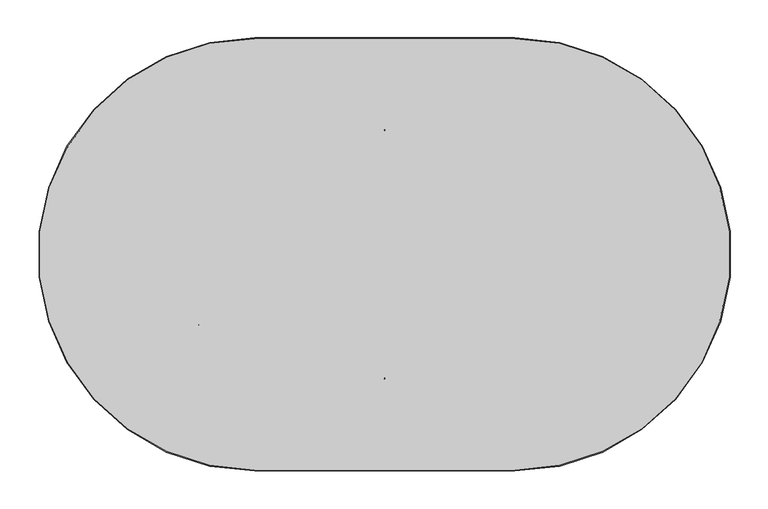
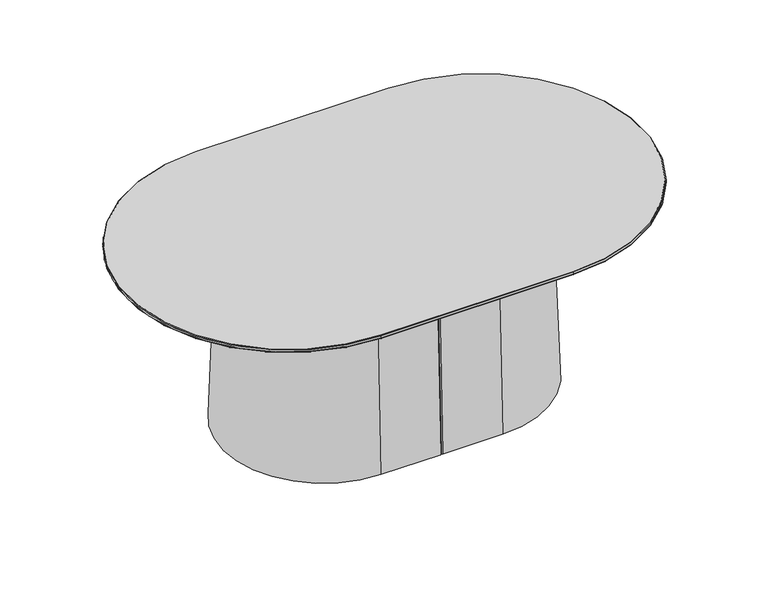
"""IFC4 building model written with IfcOpenShell, lengths in millimetres: furniture geometry."""

import ifcopenshell
import ifcopenshell.guid

model = None  # the IFC model being written
_history = None  # IfcOwnerHistory: only IFC2X3 demands one
_inside = {}  # id of a spatial element -> (the spatial element, [elements in it])
_under = {}  # id of a project, library or spatial element -> (it, [spatial elements below it])
_declared = {}  # id of a project -> (the project, [libraries it declares])
_typed = {}  # id of a type object -> (the type object, [elements of that type])
_made_of = {}  # id of a material, layer set ... -> (it, [elements and type objects made of it])


def new_model(schema):
    """Start an empty IFC model of exactly this schema.

    Asked for "IFC4X3", IfcOpenShell would pick the latest addendum, in which some entities
    have other attributes; the version numbers below select the first issue.
    IFC2X3 requires an IfcOwnerHistory on every rooted entity: one is made here for all.
    """
    global model, _history
    if schema == "IFC4X3":
        model = ifcopenshell.file(schema_version=(4, 3, 0, 0))
    else:
        model = ifcopenshell.file(schema=schema)
    _inside.clear()
    _under.clear()
    _declared.clear()
    _typed.clear()
    _made_of.clear()
    _history = None
    if model.schema == "IFC2X3":
        org = make("IfcOrganization", Name="unknown")
        user = make(
            "IfcPersonAndOrganization",
            ThePerson=make("IfcPerson", FamilyName="unknown"),
            TheOrganization=org,
        )
        app = make(
            "IfcApplication",
            ApplicationDeveloper=org,
            Version="unknown",
            ApplicationFullName="unknown",
            ApplicationIdentifier="unknown",
        )
        _history = make(
            "IfcOwnerHistory",
            OwningUser=user,
            OwningApplication=app,
            ChangeAction="ADDED",
            CreationDate=0,
        )
    return model


def make(cls, **values):
    """One entity of the class cls with the attributes given. An attribute that is None is left unset."""
    return model.create_entity(
        cls, **{name: value for name, value in values.items() if value is not None}
    )


def rooted(cls, **values):
    """An entity with a GlobalId (a new one), such as an element, a storey or a relation."""
    return make(cls, GlobalId=ifcopenshell.guid.new(), OwnerHistory=_history, **values)


def si_unit(unit_type, name, prefix=None):
    """IfcSIUnit, for example si_unit("LENGTHUNIT", "METRE", prefix="MILLI")."""
    return make("IfcSIUnit", UnitType=unit_type, Prefix=prefix, Name=name)


def assignment(units):
    """IfcUnitAssignment: the units of a project."""
    return None if units is None else make("IfcUnitAssignment", Units=units)


def point(xyz):
    """IfcCartesianPoint."""
    return None if xyz is None else make("IfcCartesianPoint", Coordinates=xyz)


def direction(xyz):
    """IfcDirection."""
    return None if xyz is None else make("IfcDirection", DirectionRatios=xyz)


def frame(location, z_axis=None, x_axis=None):
    """IfcAxis2Placement3D, a coordinate frame: its origin and axes. An axis left out is left unset."""
    return make(
        "IfcAxis2Placement3D",
        Location=point(location),
        Axis=direction(z_axis),
        RefDirection=direction(x_axis),
    )


def origin():
    """The frame at (0, 0, 0) with its axes left unset."""
    return frame((0.0, 0.0, 0.0))


def place(relative_to, where):
    """IfcLocalPlacement: puts the frame where relative to a parent placement (None: the world)."""
    return make(
        "IfcLocalPlacement", PlacementRelTo=relative_to, RelativePlacement=where
    )


def context(
    kind, dimensions, precision=None, world=None, true_north=None, identifier=None
):
    """IfcGeometricRepresentationContext, for example the 3D "Model" context."""
    return make(
        "IfcGeometricRepresentationContext",
        ContextIdentifier=identifier,
        ContextType=kind,
        CoordinateSpaceDimension=dimensions,
        Precision=precision,
        WorldCoordinateSystem=world,
        TrueNorth=true_north,
    )


def project(units=None, contexts=None):
    """IfcProject with its units and contexts."""
    return rooted(
        "IfcProject",
        Name="project",
        RepresentationContexts=contexts,
        UnitsInContext=assignment(units),
    )


def spatial(cls, under=None, at=None, **own):
    """A site, building, storey or space (cls), placed at a placement, below another one or the project."""
    s = rooted(cls, ObjectPlacement=at, **own)
    if under is not None:
        _under.setdefault(under.id(), (under, []))[1].append(s)
    return s


def polyline(points):
    """IfcPolyline through the points."""
    return make("IfcPolyline", Points=[point(p) for p in points])


def circle_curve(where, radius):
    """IfcCircle in the frame where."""
    return make("IfcCircle", Position=where, Radius=radius)


def ellipse_curve(where, semi_axis1, semi_axis2):
    """IfcEllipse in the frame where."""
    return make(
        "IfcEllipse", Position=where, SemiAxis1=semi_axis1, SemiAxis2=semi_axis2
    )


def trimmed(basis, trim1, trim2, sense, master):
    """IfcTrimmedCurve: the piece of a basis curve between two trims."""
    return make(
        "IfcTrimmedCurve",
        BasisCurve=basis,
        Trim1=trim1,
        Trim2=trim2,
        SenseAgreement=sense,
        MasterRepresentation=master,
    )


def shape(context_of_items, identifier, shape_type, items):
    """IfcShapeRepresentation: the items that make up one representation, for example the "Body"."""
    return make(
        "IfcShapeRepresentation",
        ContextOfItems=context_of_items,
        RepresentationIdentifier=identifier,
        RepresentationType=shape_type,
        Items=items,
    )


def source(mapping_origin, context_of_items, identifier, shape_type, items):
    """IfcRepresentationMap: a shape defined once, which mapped items show again and again."""
    return make(
        "IfcRepresentationMap",
        MappingOrigin=mapping_origin,
        MappedRepresentation=shape(context_of_items, identifier, shape_type, items),
    )


def transform(
    local_origin,
    x_axis=None,
    y_axis=None,
    z_axis=None,
    scale=None,
    scale2=None,
    scale3=None,
    uniform=True,
):
    """IfcCartesianTransformationOperator3D, or its non-uniform kind. x_axis, y_axis, z_axis: its Axis1, 2, 3."""
    if uniform:
        return make(
            "IfcCartesianTransformationOperator3D",
            Axis1=direction(x_axis),
            Axis2=direction(y_axis),
            LocalOrigin=point(local_origin),
            Scale=scale,
            Axis3=direction(z_axis),
        )
    return make(
        "IfcCartesianTransformationOperator3DnonUniform",
        Axis1=direction(x_axis),
        Axis2=direction(y_axis),
        LocalOrigin=point(local_origin),
        Scale=scale,
        Axis3=direction(z_axis),
        Scale2=scale2,
        Scale3=scale3,
    )


def mapped(mapping_source, mapping_target):
    """IfcMappedItem: shows the shape of a source again, moved by a transform."""
    return make(
        "IfcMappedItem", MappingSource=mapping_source, MappingTarget=mapping_target
    )


def made_of(thing, what):
    """Note that an element or type object is made of a material, layer set ...; save() writes the relation."""
    if what is not None:
        _made_of.setdefault(what.id(), (what, []))[1].append(thing)
    return thing


def element(
    cls,
    number,
    at=None,
    inside=None,
    cuts=None,
    type_object=None,
    material=None,
    context=None,
    identifier="Body",
    shape_type=None,
    held_by="IfcProductDefinitionShape",
    body=None,
    shapes=None,
    **own,
):
    """One element of the class cls, such as IfcWall. Its Tag is "e" and its number.

    at: its placement. inside: the storey or other place that contains it. cuts: it is an
    opening in that element (IfcRelVoidsElement). A single representation is given by context,
    identifier, shape_type and body (its items); several are given by shapes. held_by: the class
    of the entity that holds the representations. save() writes the other relations.
    """
    e = rooted(cls, Tag="e%d" % number, ObjectPlacement=at, **own)
    if body is not None:
        shapes = [shape(context, identifier, shape_type, body)]
    if shapes is not None:
        e.Representation = make(held_by, Representations=shapes)
    if inside is not None:
        _inside.setdefault(inside.id(), (inside, []))[1].append(e)
    if cuts is not None:
        rooted(
            "IfcRelVoidsElement", RelatingBuildingElement=cuts, RelatedOpeningElement=e
        )
    if type_object is not None:
        _typed.setdefault(type_object.id(), (type_object, []))[1].append(e)
    return made_of(e, material)


def aggregate(whole, parts):
    """IfcRelAggregates: a whole, such as a stair, and the parts it consists of."""
    return rooted("IfcRelAggregates", RelatingObject=whole, RelatedObjects=parts)


def save(model, path):
    """Write the relations noted so far, then the file.

    IfcRelAggregates (storeys below a building ...), IfcRelContainedInSpatialStructure (elements
    in a storey), IfcRelDefinesByType, IfcRelAssociatesMaterial and IfcRelDeclares: one each for
    every whole, place, type object, material and project.
    """
    for whole, parts in _under.values():
        aggregate(whole, parts)
    for where, things in _inside.values():
        rooted(
            "IfcRelContainedInSpatialStructure",
            RelatedElements=things,
            RelatingStructure=where,
        )
    for kind, things in _typed.values():
        rooted("IfcRelDefinesByType", RelatedObjects=things, RelatingType=kind)
    for what, things in _made_of.values():
        rooted("IfcRelAssociatesMaterial", RelatedObjects=things, RelatingMaterial=what)
    for by, libraries in _declared.values():
        rooted("IfcRelDeclares", RelatingContext=by, RelatedDefinitions=libraries)
    model.write(path)


def plane_surface(at):
    """IfcPlane: the flat surface through the origin of the frame at, square to its z axis."""
    return make("IfcPlane", Position=at)


def cylinder_surface(at, radius):
    """IfcCylindricalSurface: all points at the distance radius from the z axis of the frame at."""
    return make("IfcCylindricalSurface", Position=at, Radius=radius)


def revolved_surface(curve, axis_point, axis_direction):
    """IfcSurfaceOfRevolution: the curve turned about the line through axis_point along axis_direction."""
    return make(
        "IfcSurfaceOfRevolution",
        SweptCurve=make("IfcArbitraryOpenProfileDef", ProfileType="CURVE", Curve=curve),
        AxisPosition=make("IfcAxis1Placement", Location=point(axis_point), Axis=direction(axis_direction)),
    )


def extruded_surface(curve, direction_of_extrusion, depth):
    """IfcSurfaceOfLinearExtrusion: the curve pushed along a direction by depth."""
    return make(
        "IfcSurfaceOfLinearExtrusion",
        SweptCurve=make("IfcArbitraryOpenProfileDef", ProfileType="CURVE", Curve=curve),
        ExtrudedDirection=direction(direction_of_extrusion),
        Depth=depth,
    )


def spline_surface(u_degree, v_degree, points, u_multiplicities, v_multiplicities, u_knots, v_knots, weights=None):
    """IfcBSplineSurfaceWithKnots; with weights, IfcRationalBSplineSurfaceWithKnots. points: one row for each step in u."""
    own = dict(
        UDegree=u_degree,
        VDegree=v_degree,
        ControlPointsList=[[point(p) for p in row] for row in points],
        SurfaceForm="UNSPECIFIED",
        UClosed=False,
        VClosed=False,
        SelfIntersect=False,
        UMultiplicities=u_multiplicities,
        VMultiplicities=v_multiplicities,
        UKnots=u_knots,
        VKnots=v_knots,
        KnotSpec="UNSPECIFIED",
    )
    if weights is None:
        return make("IfcBSplineSurfaceWithKnots", **own)
    return make("IfcRationalBSplineSurfaceWithKnots", WeightsData=weights, **own)


def advanced_brep(points, edges, surfaces, faces):
    """IfcAdvancedBrep: a solid bounded by faces that lie on surfaces and meet in shared edges.

    An edge is (start, end): straight between two places in points (the first is 0);
    or (start, end, curve); or (start, end, curve, False) where it runs against its curve.
    A face is (place in surfaces, loops), or (place, loops, False) where it looks against
    its surface's normal. A loop lists edges by number (the first is 1), with a minus sign
    where the edge is run from its end to its start. The first loop is the outer one.
    """
    corners = [point(p) for p in points]
    vertices = [make("IfcVertexPoint", VertexGeometry=c) for c in corners]
    made = []
    for start, end, *more in edges:
        made.append(
            make(
                "IfcEdgeCurve",
                EdgeStart=vertices[start],
                EdgeEnd=vertices[end],
                EdgeGeometry=more[0] if more else make("IfcPolyline", Points=[corners[start], corners[end]]),
                SameSense=more[1] if len(more) > 1 else True,
            )
        )
    hull = []
    for where, loops, *sense in faces:
        bounds = []
        for j, loop in enumerate(loops):
            ring = [make("IfcOrientedEdge", EdgeElement=made[abs(k) - 1], Orientation=k > 0) for k in loop]
            bounds.append(
                make(
                    "IfcFaceOuterBound" if j == 0 else "IfcFaceBound",
                    Bound=make("IfcEdgeLoop", EdgeList=ring),
                    Orientation=True,
                )
            )
        hull.append(make("IfcAdvancedFace", Bounds=bounds, FaceSurface=surfaces[where], SameSense=sense[0] if sense else True))
    return make("IfcAdvancedBrep", Outer=make("IfcClosedShell", CfsFaces=hull))


def furniture_e7c1780a(model_context):
    return source(origin(), model_context, "Body", "AdvancedBrep", [
        advanced_brep(
        [(108.8432573, 165.8423738, 331.9999722), (2.5002491, 165.8423738, 331.9999722), (0.0, 163.3421247, 331.9999722), (0.0, 136.6309965, 331.9999722), (2.5, 134.1309965, 331.9999722), (108.8432573, 134.1309965, 331.9999722), (108.8432573, -134.1309965, 331.9999722), (2.5, -134.1309965, 331.9999722), (0.0, -136.6309965, 331.9999722), (0.0, -163.3421247, 331.9999722), (2.5002491, -165.8423738, 331.9999722), (108.8432573, -165.8423738, 331.9999722), (108.8432573, 177.7169926, 0.0), (108.8432573, -177.7169926, 0.0), (2.5, -177.7169926, 0.0), (0.0, -175.2169926, 0.0), (0.0, -148.5056152, 0.0), (2.5, -146.0056152, 0.0), (108.8432573, -146.0056152, 0.0), (108.8432573, 146.0056152, 0.0), (2.5, 146.0056152, 0.0), (0.0, 148.5056152, 0.0), (0.0, 175.2167435, 0.0), (2.5002491, 177.7169926, 0.0)],
        [
            (0, 1),
            (1, 2, circle_curve(frame((2.5002491, 163.3421247, 331.9999722), z_axis=(0.0, 0.0, 1.0), x_axis=(-1.0, 0.0, 0.0)), 2.5002491)),
            (2, 3),
            (3, 4, circle_curve(frame((2.5, 136.6309965, 331.9999722), z_axis=(0.0, 0.0, 1.0), x_axis=(-1.0, 0.0, 0.0)), 2.5)),
            (4, 5),
            (5, 6, circle_curve(frame((108.8432573, 0.0, 331.9999722), z_axis=(0.0, 0.0, -1.0), x_axis=(0.0, 1.0, 0.0)), 134.1309965)),
            (6, 7),
            (7, 8, circle_curve(frame((2.5, -136.6309965, 331.9999722), z_axis=(0.0, 0.0, 1.0), x_axis=(-1.0, 0.0, 0.0)), 2.5)),
            (8, 9),
            (9, 10, circle_curve(frame((2.5002491, -163.3421247, 331.9999722), z_axis=(0.0, 0.0, 1.0), x_axis=(-1.0, 0.0, 0.0)), 2.5002491)),
            (10, 11),
            (11, 0, circle_curve(frame((108.8432573, 0.0, 331.9999722), z_axis=(0.0, 0.0, 1.0), x_axis=(0.0, -1.0, 0.0)), 165.8423738)),
            (12, 13, circle_curve(frame((108.8432573, 0.0, 0.0), z_axis=(0.0, 0.0, -1.0), x_axis=(0.0, -1.0, 0.0)), 177.7169926)),
            (13, 14),
            (14, 15, circle_curve(frame((2.5, -175.2169926, 0.0), z_axis=(0.0, 0.0, -1.0), x_axis=(-1.0, 0.0, 0.0)), 2.5)),
            (15, 16),
            (16, 17, circle_curve(frame((2.5, -148.5056152, 0.0), z_axis=(0.0, 0.0, -1.0), x_axis=(-1.0, 0.0, 0.0)), 2.5)),
            (17, 18),
            (18, 19, circle_curve(frame((108.8432573, 0.0, 0.0), z_axis=(0.0, 0.0, 1.0), x_axis=(0.0, 1.0, 0.0)), 146.0056152)),
            (19, 20),
            (20, 21, circle_curve(frame((2.5, 148.5056152, 0.0), z_axis=(0.0, 0.0, -1.0), x_axis=(-1.0, 0.0, 0.0)), 2.5)),
            (21, 22),
            (22, 23, circle_curve(frame((2.5002491, 175.2167435, 0.0), z_axis=(0.0, 0.0, -1.0), x_axis=(-1.0, 0.0, 0.0)), 2.5002491)),
            (23, 12),
            (12, 0),
            (11, 13),
            (10, 14),
            (9, 15),
            (8, 16),
            (7, 17),
            (6, 18),
            (5, 19),
            (4, 20),
            (3, 21),
            (2, 22),
            (1, 23),
        ],
        [
            plane_surface(frame((37.1144606, 0.0, 331.9999722), z_axis=(0.0, 0.0, 1.0), x_axis=(-1.0, 0.0, 0.0))),
            plane_surface(frame((37.1144398, -2.08e-05, 0.0), z_axis=(0.0, 0.0, -1.0), x_axis=(-1.0, 0.0, 0.0))),
            revolved_surface(polyline([(108.8432573, -165.84237383659962, 331.99997220000023), (108.8432573, -177.7169926, 0.0)]), (108.8432573, 0.0, 4968.7520735), (0.0, 0.0, -1.0)),
            plane_surface(frame((55.6716286, -177.7169926, 0.0), z_axis=(0.0, -0.9993609765161106, 0.0357440710715248), x_axis=(1.0, 0.0, 0.0))),
            spline_surface(2, 1, [[(0.0, -175.2169926, 0.0), (0.0, -163.3421247, 331.9999722)], [(-9.769962616701378e-15, -177.7169926, 0.0), (-1.021405182655144e-14, -165.8423738, 331.9999722)], [(2.5, -177.7169926, 0.0), (2.5002491, -165.8423738, 331.9999722)]], [3, 3], [2, 2], [0.0, 1.0], [0.0, 1.0], weights=[[1.0, 1.0], [0.7071067811865461, 0.7071067811865461], [1.0, 1.0]]),
            plane_surface(frame((0.0, -161.8613039, 0.0), z_axis=(-1.0, 0.0, 0.0), x_axis=(0.0, -1.0, 0.0))),
            extruded_surface(trimmed(circle_curve(frame((2.5, -148.5056152, 0.0), z_axis=(0.0, 0.0, 1.0), x_axis=(-1.0, 0.0, 0.0)), 2.5), [point((2.5, -146.0056152, 0.0))], [point((0.0, -148.5056152, 0.0))], True, "CARTESIAN"), (0.0, 11.874618699999985, 331.9999722), 332.21226363587357),
            plane_surface(frame((55.6716286, -146.0056152, 0.0), z_axis=(0.0, 0.9993609765161104, -0.0357440710715248), x_axis=(-1.0, 0.0, 0.0))),
            revolved_surface(polyline([(108.8432573, 146.0056152, 0.0), (108.8432573, 134.13099644059713, 331.99997220000023)]), (108.8432573, 0.0, 4082.1403339), (0.0, 0.0, -1.0)),
            plane_surface(frame((55.6716286, 146.0056152, 0.0), z_axis=(0.0, -0.9993609765161104, -0.0357440710715248), x_axis=(1.0, 0.0, 0.0))),
            extruded_surface(trimmed(circle_curve(frame((2.5, 148.5056152, 0.0), z_axis=(0.0, 0.0, 1.0), x_axis=(-1.0, 0.0, 0.0)), 2.5), [point((0.0, 148.5056152, 0.0))], [point((2.5, 146.0056152, 0.0))], True, "CARTESIAN"), (0.0, -11.874618699999985, 331.9999722), 332.21226363587357),
            plane_surface(frame((0.0, 161.8611794, 0.0), z_axis=(-1.0, 0.0, 0.0), x_axis=(0.0, -1.0, 0.0))),
            extruded_surface(trimmed(circle_curve(frame((2.5002491, 175.2167435, 0.0), z_axis=(0.0, 0.0, 1.0), x_axis=(-1.0, 0.0, 0.0)), 2.5002491), [point((2.5002491, 177.7169926, 0.0))], [point((0.0, 175.2167435, 0.0))], True, "CARTESIAN"), (0.0, -11.874618800000007, 331.9999722), 332.21226363944794),
            plane_surface(frame((55.6717532, 177.7169926, 0.0), z_axis=(0.0, 0.9993609765161104, 0.0357440710715248), x_axis=(-1.0, 0.0, 0.0))),
        ],
        [
            (0, [[1, 2, 3, 4, 5, 6, 7, 8, 9, 10, 11, 12]]),
            (1, [[13, 14, 15, 16, 17, 18, 19, 20, 21, 22, 23, 24]]),
            (2, [[-13, 25, -12, 26]]),
            (3, [[-14, -26, -11, 27]]),
            (4, [[-15, -27, -10, 28]]),
            (5, [[-16, -28, -9, 29]]),
            (6, [[-17, -29, -8, 30]]),
            (7, [[-18, -30, -7, 31]]),
            (8, [[-19, -31, -6, 32]]),
            (9, [[-20, -32, -5, 33]]),
            (10, [[-21, -33, -4, 34]]),
            (11, [[-22, -34, -3, 35]]),
            (12, [[-23, -35, -2, 36]]),
            (13, [[-24, -36, -1, -25]]),
        ],
    ),
        advanced_brep(
        [(-108.8432573, 165.8423738, 331.9999722), (-108.8432573, -165.8423738, 331.9999722), (-2.5002491, -165.8423738, 331.9999722), (0.0, -163.3421247, 331.9999722), (0.0, -136.6309965, 331.9999722), (-2.5, -134.1309965, 331.9999722), (-108.8432573, -134.1309965, 331.9999722), (-108.8432573, 134.1309965, 331.9999722), (-2.5, 134.1309965, 331.9999722), (0.0, 136.6309965, 331.9999722), (0.0, 163.3421247, 331.9999722), (-2.5002491, 165.8423738, 331.9999722), (-108.8432573, 177.7169926, 0.0), (-2.5002491, 177.7169926, 0.0), (0.0, 175.2167435, 0.0), (0.0, 148.5056152, 0.0), (-2.5, 146.0056152, 0.0), (-108.8432573, 146.0056152, 0.0), (-108.8432573, -146.0056152, 0.0), (-2.5, -146.0056152, 0.0), (0.0, -148.5056152, 0.0), (0.0, -175.2169926, 0.0), (-2.5, -177.7169926, 0.0), (-108.8432573, -177.7169926, 0.0)],
        [
            (0, 1, circle_curve(frame((-108.8432573, 0.0, 331.9999722), z_axis=(0.0, 0.0, 1.0), x_axis=(0.0, 1.0, 0.0)), 165.8423738)),
            (1, 2),
            (2, 3, circle_curve(frame((-2.5002491, -163.3421247, 331.9999722), z_axis=(0.0, 0.0, 1.0), x_axis=(1.0, 0.0, 0.0)), 2.5002491)),
            (3, 4),
            (4, 5, circle_curve(frame((-2.5, -136.6309965, 331.9999722), z_axis=(0.0, 0.0, 1.0), x_axis=(1.0, 0.0, 0.0)), 2.5)),
            (5, 6),
            (6, 7, circle_curve(frame((-108.8432573, 0.0, 331.9999722), z_axis=(0.0, 0.0, -1.0), x_axis=(0.0, -1.0, 0.0)), 134.1309965)),
            (7, 8),
            (8, 9, circle_curve(frame((-2.5, 136.6309965, 331.9999722), z_axis=(0.0, 0.0, 1.0), x_axis=(1.0, 0.0, 0.0)), 2.5)),
            (9, 10),
            (10, 11, circle_curve(frame((-2.5002491, 163.3421247, 331.9999722), z_axis=(0.0, 0.0, 1.0), x_axis=(1.0, 0.0, 0.0)), 2.5002491)),
            (11, 0),
            (12, 13),
            (13, 14, circle_curve(frame((-2.5002491, 175.2167435, 0.0), z_axis=(0.0, 0.0, -1.0), x_axis=(1.0, 0.0, 0.0)), 2.5002491)),
            (14, 15),
            (15, 16, circle_curve(frame((-2.5, 148.5056152, 0.0), z_axis=(0.0, 0.0, -1.0), x_axis=(1.0, 0.0, 0.0)), 2.5)),
            (16, 17),
            (17, 18, circle_curve(frame((-108.8432573, 0.0, 0.0), z_axis=(0.0, 0.0, 1.0), x_axis=(0.0, -1.0, 0.0)), 146.0056152)),
            (18, 19),
            (19, 20, circle_curve(frame((-2.5, -148.5056152, 0.0), z_axis=(0.0, 0.0, -1.0), x_axis=(1.0, 0.0, 0.0)), 2.5)),
            (20, 21),
            (21, 22, circle_curve(frame((-2.5, -175.2169926, 0.0), z_axis=(0.0, 0.0, -1.0), x_axis=(1.0, 0.0, 0.0)), 2.5)),
            (22, 23),
            (23, 12, circle_curve(frame((-108.8432573, 0.0, 0.0), z_axis=(0.0, 0.0, -1.0), x_axis=(0.0, 1.0, 0.0)), 177.7169926)),
            (23, 1),
            (0, 12),
            (22, 2),
            (21, 3),
            (20, 4),
            (19, 5),
            (18, 6),
            (17, 7),
            (16, 8),
            (15, 9),
            (14, 10),
            (13, 11),
        ],
        [
            plane_surface(frame((-37.1144606, 0.0, 331.9999722), z_axis=(0.0, 0.0, 1.0), x_axis=(-1.0, 0.0, 0.0))),
            plane_surface(frame((-37.1144398, -2.08e-05, 0.0), z_axis=(0.0, 0.0, -1.0), x_axis=(-1.0, 0.0, 0.0))),
            revolved_surface(polyline([(-108.8432573, 165.84237383659962, 331.99997220000023), (-108.8432573, 177.7169926, 0.0)]), (-108.8432573, 0.0, 4968.7520735), (0.0, 0.0, -1.0)),
            plane_surface(frame((-55.6716286, -177.7169926, 0.0), z_axis=(0.0, -0.9993609765161106, 0.0357440710715248), x_axis=(1.0, 0.0, 0.0))),
            spline_surface(2, 1, [[(-2.5, -177.7169926, 0.0), (-2.5002491, -165.8423738, 331.9999722)], [(0.0, -177.7169926, 0.0), (-9.325873406851315e-15, -165.8423738, 331.9999722)], [(0.0, -175.2169926, 0.0), (0.0, -163.3421247, 331.9999722)]], [3, 3], [2, 2], [0.0, 1.0], [0.0, 1.0], weights=[[1.0, 1.0], [0.7071067811865489, 0.7071067811865489], [1.0, 1.0]]),
            plane_surface(frame((0.0, -161.8613039, 0.0), z_axis=(1.0, 0.0, 0.0), x_axis=(0.0, 1.0, 0.0))),
            extruded_surface(trimmed(circle_curve(frame((-2.5, -148.5056152, 0.0), z_axis=(0.0, 0.0, 1.0), x_axis=(1.0, 0.0, 0.0)), 2.5), [point((0.0, -148.5056152, 0.0))], [point((-2.5, -146.0056152, 0.0))], True, "CARTESIAN"), (0.0, 11.874618699999985, 331.9999722), 332.21226363587357),
            plane_surface(frame((-55.6716286, -146.0056152, 0.0), z_axis=(0.0, 0.9993609765161104, -0.0357440710715248), x_axis=(-1.0, 0.0, 0.0))),
            revolved_surface(polyline([(-108.8432573, -146.0056152, 0.0), (-108.8432573, -134.13099644059713, 331.99997220000023)]), (-108.8432573, 0.0, 4082.1403339), (0.0, 0.0, -1.0)),
            plane_surface(frame((-55.6716286, 146.0056152, 0.0), z_axis=(0.0, -0.9993609765161104, -0.0357440710715248), x_axis=(1.0, 0.0, 0.0))),
            extruded_surface(trimmed(circle_curve(frame((-2.5, 148.5056152, 0.0), z_axis=(0.0, 0.0, 1.0), x_axis=(1.0, 0.0, 0.0)), 2.5), [point((-2.5, 146.0056152, 0.0))], [point((0.0, 148.5056152, 0.0))], True, "CARTESIAN"), (0.0, -11.874618699999985, 331.9999722), 332.21226363587357),
            plane_surface(frame((0.0, 161.8611794, 0.0), z_axis=(1.0, 0.0, 0.0), x_axis=(0.0, 1.0, 0.0))),
            extruded_surface(trimmed(circle_curve(frame((-2.5002491, 175.2167435, 0.0), z_axis=(0.0, 0.0, 1.0), x_axis=(1.0, 0.0, 0.0)), 2.5002491), [point((0.0, 175.2167435, 0.0))], [point((-2.5002491, 177.7169926, 0.0))], True, "CARTESIAN"), (0.0, -11.874618800000007, 331.9999722), 332.21226363944794),
            plane_surface(frame((-55.6717532, 177.7169926, 0.0), z_axis=(0.0, 0.9993609765161104, 0.0357440710715248), x_axis=(-1.0, 0.0, 0.0))),
        ],
        [
            (0, [[1, 2, 3, 4, 5, 6, 7, 8, 9, 10, 11, 12]]),
            (1, [[13, 14, 15, 16, 17, 18, 19, 20, 21, 22, 23, 24]]),
            (2, [[-24, 25, -1, 26]]),
            (3, [[-23, 27, -2, -25]]),
            (4, [[-22, 28, -3, -27]]),
            (5, [[-21, 29, -4, -28]]),
            (6, [[-20, 30, -5, -29]]),
            (7, [[-19, 31, -6, -30]]),
            (8, [[-18, 32, -7, -31]]),
            (9, [[-17, 33, -8, -32]]),
            (10, [[-16, 34, -9, -33]]),
            (11, [[-15, 35, -10, -34]]),
            (12, [[-14, 36, -11, -35]]),
            (13, [[-13, -26, -12, -36]]),
        ],
    ),
        advanced_brep(
        [(-171.45, 284.7499927, 349.25), (-171.45, -284.7499927, 349.25), (171.45, -284.7499927, 349.25), (171.45, 284.7499927, 349.25), (-171.45, -245.7499931, 331.2499722), (-171.45, 245.7499931, 331.2499722), (171.45, 245.7499931, 331.2499722), (171.45, -245.7499931, 331.2499722), (-171.45, 285.75, 348.2499927), (-171.45, 285.75, 344.7380411), (-171.45, -285.75, 344.7380411), (-171.45, -285.75, 348.2499927), (171.45, -285.75, 344.7380411), (171.45, -285.75, 348.2499927), (171.45, 285.75, 344.7380411), (171.45, 285.75, 348.2499927), (-171.45, -284.324696, 342.8223886), (-171.45, 284.324696, 342.8223886), (171.45, -284.324696, 342.8223886), (171.45, 284.324696, 342.8223886)],
        [
            (0, 1, circle_curve(frame((-171.45, 0.0, 349.25), z_axis=(0.0, 0.0, 1.0), x_axis=(0.0, 1.0, 0.0)), 284.7499927)),
            (1, 2),
            (2, 3, circle_curve(frame((171.45, 0.0, 349.25), z_axis=(0.0, 0.0, 1.0), x_axis=(0.0, -1.0, 0.0)), 284.7499927)),
            (3, 0),
            (4, 5, circle_curve(frame((-171.45, 0.0, 331.2499722), z_axis=(0.0, 0.0, -1.0), x_axis=(0.0, 1.0, 0.0)), 245.7499931)),
            (5, 6),
            (6, 7, circle_curve(frame((171.45, 0.0, 331.2499722), z_axis=(0.0, 0.0, -1.0), x_axis=(0.0, -1.0, 0.0)), 245.7499931)),
            (7, 4),
            (8, 9),
            (9, 10, circle_curve(frame((-171.45, 0.0, 344.7380411), z_axis=(0.0, 0.0, 1.0), x_axis=(1.0, 0.0, 0.0)), 285.75)),
            (10, 11),
            (11, 8, circle_curve(frame((-171.45, 0.0, 348.2499927), z_axis=(0.0, 0.0, -1.0), x_axis=(1.0, 0.0, 0.0)), 285.75)),
            (10, 12),
            (12, 13),
            (13, 11),
            (12, 14, circle_curve(frame((171.45, 0.0, 344.7380411), z_axis=(0.0, 0.0, 1.0), x_axis=(1.0, 0.0, 0.0)), 285.75)),
            (14, 15),
            (15, 13, circle_curve(frame((171.45, 0.0, 348.2499927), z_axis=(0.0, 0.0, -1.0), x_axis=(1.0, 0.0, 0.0)), 285.75)),
            (8, 15),
            (14, 9),
            (11, 1),
            (0, 8),
            (16, 10, circle_curve(frame((-171.45, -283.75, 344.7380411), z_axis=(-1.0, 0.0, 0.0), x_axis=(0.0, 1.0, 0.0)), 2.0)),
            (9, 17, circle_curve(frame((-171.45, 283.75, 344.7380411), z_axis=(-1.0, 0.0, 0.0), x_axis=(0.0, -1.0, 0.0)), 2.0)),
            (17, 16, circle_curve(frame((-171.45, 0.0, 342.8223886), z_axis=(0.0, 0.0, 1.0), x_axis=(0.0, 1.0, 0.0)), 284.324696)),
            (17, 5),
            (4, 16),
            (13, 2),
            (16, 18),
            (18, 12, circle_curve(frame((171.45, -283.75, 344.7380411), z_axis=(-1.0, 0.0, 0.0), x_axis=(0.0, 1.0, 0.0)), 2.0)),
            (7, 18),
            (15, 3),
            (18, 19, circle_curve(frame((171.45, 0.0, 342.8223886), z_axis=(0.0, 0.0, 1.0), x_axis=(0.0, -1.0, 0.0)), 284.324696)),
            (19, 14, circle_curve(frame((171.45, 283.75, 344.7380411), z_axis=(1.0, 0.0, 0.0), x_axis=(0.0, -1.0, 0.0)), 2.0)),
            (6, 19),
            (19, 17),
        ],
        [
            plane_surface(frame((114.3, 0.0, 349.25), z_axis=(0.0, 0.0, 1.0), x_axis=(0.0, 1.0, 0.0))),
            plane_surface(frame((114.3, 0.0, 331.2499722), z_axis=(0.0, 0.0, -1.0), x_axis=(0.0, -1.0, 0.0))),
            cylinder_surface(frame((-171.45, 0.0, 331.2499722), z_axis=(0.0, 0.0, 1.0), x_axis=(1.0, 0.0, 0.0)), 285.75),
            plane_surface(frame((-171.45, -285.75, 349.25), z_axis=(0.0, -1.0, 0.0), x_axis=(0.0, 0.0, -1.0))),
            cylinder_surface(frame((171.45, 0.0, 331.2499722), z_axis=(0.0, 0.0, 1.0), x_axis=(1.0, 0.0, 0.0)), 285.75),
            plane_surface(frame((171.45, 285.75, 349.25), z_axis=(0.0, 1.0, 0.0), x_axis=(0.0, 0.0, -1.0))),
            revolved_surface(polyline([(-171.45, 285.75, 348.2499927), (-171.45, 284.7499927, 349.25)]), (-171.45, 0.0, 349.25), (0.0, 0.0, 1.0)),
            revolved_surface(trimmed(ellipse_curve(frame((-171.45, 283.75, 344.7380411), z_axis=(1.0, 0.0, 0.0), x_axis=(0.0, -1.0, 0.0)), 2.0, 2.0), [point((-171.45, 284.324696, 342.8223886))], [point((-171.45, 285.75, 344.7380411))], True, "CARTESIAN"), (-171.45, 0.0, 349.25), (0.0, 0.0, 1.0)),
            revolved_surface(polyline([(-171.45, 245.7499931, 331.2499722), (-171.45, 284.324696, 342.8223886)]), (-171.45, 0.0, 349.25), (0.0, 0.0, 1.0)),
            plane_surface(frame((-171.45, -284.7499927, 349.25), z_axis=(0.0, -0.7071067811865476, 0.7071067811865476), x_axis=(1.0, 0.0, 0.0))),
            cylinder_surface(frame((-171.45, -283.75, 344.7380411), z_axis=(1.0, 0.0, 0.0), x_axis=(0.0, 1.0, 0.0)), 2.0),
            plane_surface(frame((-171.45, -284.324696, 342.8223886), z_axis=(0.0, -0.28734800976052466, -0.9578262479628888), x_axis=(1.0, 0.0, 0.0))),
            revolved_surface(polyline([(171.45, -285.75, 348.2499927), (171.45, -284.7499927, 349.25)]), (171.45, 0.0, 349.25), (0.0, 0.0, 1.0)),
            revolved_surface(trimmed(ellipse_curve(frame((171.45, -283.75, 344.7380411), z_axis=(-1.0, 0.0, 0.0), x_axis=(0.0, 1.0, 0.0)), 2.0, 2.0), [point((171.45, -284.324696, 342.8223886))], [point((171.45, -285.75, 344.7380411))], True, "CARTESIAN"), (171.45, 0.0, 349.25), (0.0, 0.0, 1.0)),
            revolved_surface(polyline([(171.45, -245.7499931, 331.2499722), (171.45, -284.324696, 342.8223886)]), (171.45, 0.0, 349.25), (0.0, 0.0, 1.0)),
            plane_surface(frame((171.45, 284.7499927, 349.25), z_axis=(0.0, 0.7071067811865476, 0.7071067811865476), x_axis=(-1.0, 0.0, 0.0))),
            cylinder_surface(frame((171.45, 283.75, 344.7380411), z_axis=(-1.0, 0.0, 0.0), x_axis=(0.0, -1.0, 0.0)), 2.0),
            plane_surface(frame((171.45, 284.324696, 342.8223886), z_axis=(0.0, 0.28734800976052466, -0.9578262479628888), x_axis=(-1.0, 0.0, 0.0))),
        ],
        [
            (0, [[1, 2, 3, 4]]),
            (1, [[5, 6, 7, 8]]),
            (2, [[9, 10, 11, 12]]),
            (3, [[-11, 13, 14, 15]]),
            (4, [[-14, 16, 17, 18]]),
            (5, [[-9, 19, -17, 20]]),
            (6, [[21, -1, 22, -12]]),
            (7, [[23, -10, 24, 25]]),
            (8, [[-25, 26, -5, 27]]),
            (9, [[-21, -15, 28, -2]]),
            (10, [[-23, 29, 30, -13]]),
            (11, [[-27, -8, 31, -29]]),
            (12, [[-28, -18, 32, -3]]),
            (13, [[-30, 33, 34, -16]]),
            (14, [[-31, -7, 35, -33]]),
            (15, [[-22, -4, -32, -19]]),
            (16, [[-24, -20, -34, 36]]),
            (17, [[-26, -36, -35, -6]]),
        ],
    ),
    ])


if __name__ == "__main__":
    model = new_model("IFC4")
    model_context = context("Model", 3, world=origin())
    ifc_project = project(units=[si_unit("LENGTHUNIT", "METRE", prefix="MILLI")], contexts=[model_context])
    site = spatial("IfcSite", under=ifc_project)
    building = spatial("IfcBuilding", under=site)
    placement = place(None, origin())
    furniture_shape = furniture_e7c1780a(model_context)
    element("IfcFurniture", 1, at=placement, inside=building, context=model_context, shape_type="MappedRepresentation", body=[
        mapped(furniture_shape, transform((0.0, 0.0, 0.0), x_axis=(1.0, 0.0, 0.0), y_axis=(0.0, 1.0, 0.0), z_axis=(0.0, 0.0, 1.0))),
    ])
    save(model, "model.ifc")
